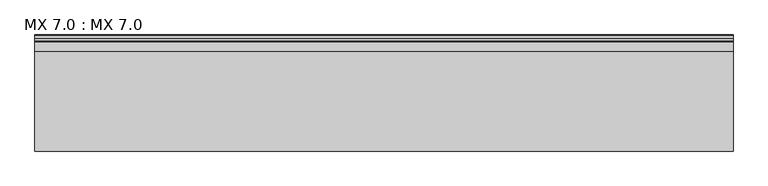
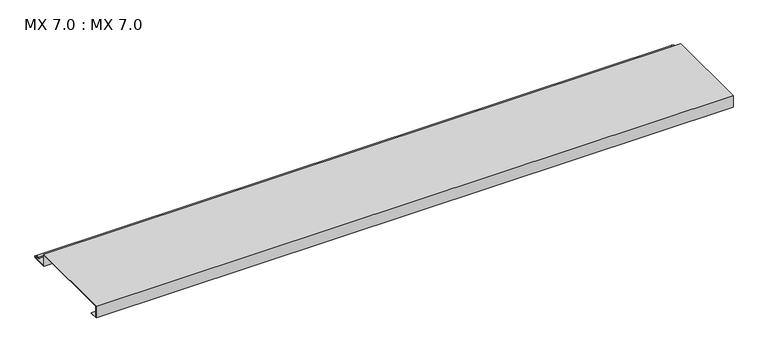
"""IFC4 building model written with IfcOpenShell, lengths in millimetres: proxy geometry, MX 7.0 : MX 7.0."""

from ifc_helpers import new_model, si_unit, point, frame, frame_2d, origin, place, context, project, spatial, polyline, circle_curve, trimmed, segment, composite_curve, outline, extrude, source, transform, mapped, element, save


def mx_7_0_mx_7_0_72a9d05e(model_context):
    return source(origin(), model_context, "Body", "SweptSolid", [
        extrude(outline(composite_curve([segment(polyline([(0.0, 0.0), (0.0, 38.0), (280.0, 38.0), (280.0, 0.0), (325.0510156, 0.0)]), True, "CONTINUOUS"), segment(trimmed(circle_curve(frame_2d((324.3094696, 1.9153551)), 2.0538928), [point((325.0510156, 0.0))], [point((325.1748462, 3.778041))], True, "CARTESIAN"), True, "CONTINUOUS"), segment(polyline([(325.1748462, 3.778041), (308.7874714, 6.923107)]), True, "CONTINUOUS"), segment(trimmed(circle_curve(frame_2d((309.4078886, 8.6005442)), 1.7884947), [point((308.7874714, 6.923107))], [point((308.9525789, 10.3301125))], False, "CARTESIAN"), True, "CONTINUOUS"), segment(polyline([(308.9525789, 10.3301125), (316.459338, 11.6715995), (316.635255, 10.6871945), (309.1762081, 9.3542338)]), True, "CONTINUOUS"), segment(trimmed(circle_curve(frame_2d((309.4078886, 8.6005442)), 0.7884947), [point((309.1762081, 9.3542338))], [point((309.0735117, 7.8864603))], True, "CARTESIAN"), True, "CONTINUOUS"), segment(polyline([(309.0735117, 7.8864603), (325.4722719, 4.7392091)]), True, "CONTINUOUS"), segment(trimmed(circle_curve(frame_2d((324.3094696, 1.9153551)), 3.0538928), [point((325.4722719, 4.7392091))], [point((325.2188462, -1.0))], False, "CARTESIAN"), True, "CONTINUOUS"), segment(polyline([(325.2188462, -1.0), (279.0, -1.0), (279.0, 37.0), (1.0, 37.0), (1.0, 1.0), (25.0, 1.0), (25.0, 0.0), (0.0, 0.0)]), True, "CONTINUOUS")], self_intersect=False)), frame((0.0, 0.0, 0.0), z_axis=(1.0, 0.0, 0.0), x_axis=(0.0, 1.0, 0.0)), (0.0, 0.0, 1.0), 1968.5604387),
    ])


if __name__ == "__main__":
    model = new_model("IFC4")
    model_context = context("Model", 3, world=origin())
    ifc_project = project(units=[si_unit("LENGTHUNIT", "METRE", prefix="MILLI")], contexts=[model_context])
    site = spatial("IfcSite", under=ifc_project)
    building = spatial("IfcBuilding", under=site)
    placement = place(None, origin())
    mx_7_0_mx_7_0_shape = mx_7_0_mx_7_0_72a9d05e(model_context)
    element("IfcBuildingElementProxy", 1, Name="MX 7.0 : MX 7.0", ObjectType="MX 7.0 : MX 7.0", at=placement, inside=building, context=model_context, shape_type="MappedRepresentation", body=[
        mapped(mx_7_0_mx_7_0_shape, transform((0.0, 0.0, 0.0), x_axis=(1.0, 0.0, 0.0), y_axis=(0.0, 1.0, 0.0), z_axis=(0.0, 0.0, 1.0))),
    ])
    save(model, "model.ifc")
